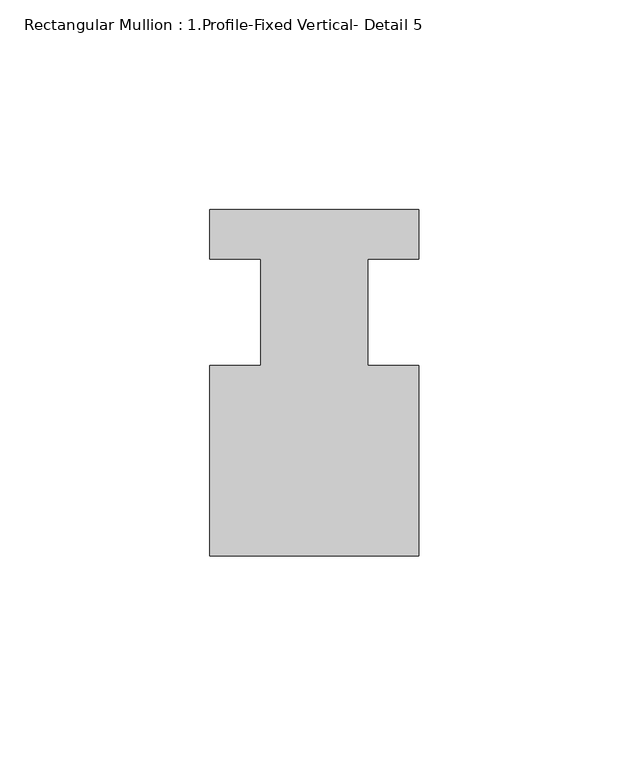
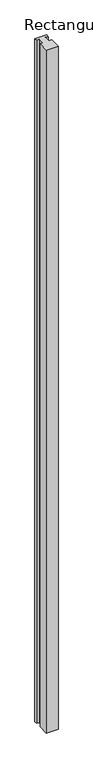
"""IFC4 building model written with IfcOpenShell, lengths in millimetres: member geometry, Rectangular Mullion : 1.Profile-Fixed Vertical- Detail 5."""

import ifcopenshell
import ifcopenshell.guid

model = None  # the IFC model being written
_history = None  # IfcOwnerHistory: only IFC2X3 demands one
_inside = {}  # id of a spatial element -> (the spatial element, [elements in it])
_under = {}  # id of a project, library or spatial element -> (it, [spatial elements below it])
_declared = {}  # id of a project -> (the project, [libraries it declares])
_typed = {}  # id of a type object -> (the type object, [elements of that type])
_made_of = {}  # id of a material, layer set ... -> (it, [elements and type objects made of it])


def new_model(schema):
    """Start an empty IFC model of exactly this schema.

    Asked for "IFC4X3", IfcOpenShell would pick the latest addendum, in which some entities
    have other attributes; the version numbers below select the first issue.
    IFC2X3 requires an IfcOwnerHistory on every rooted entity: one is made here for all.
    """
    global model, _history
    if schema == "IFC4X3":
        model = ifcopenshell.file(schema_version=(4, 3, 0, 0))
    else:
        model = ifcopenshell.file(schema=schema)
    _inside.clear()
    _under.clear()
    _declared.clear()
    _typed.clear()
    _made_of.clear()
    _history = None
    if model.schema == "IFC2X3":
        org = make("IfcOrganization", Name="unknown")
        user = make(
            "IfcPersonAndOrganization",
            ThePerson=make("IfcPerson", FamilyName="unknown"),
            TheOrganization=org,
        )
        app = make(
            "IfcApplication",
            ApplicationDeveloper=org,
            Version="unknown",
            ApplicationFullName="unknown",
            ApplicationIdentifier="unknown",
        )
        _history = make(
            "IfcOwnerHistory",
            OwningUser=user,
            OwningApplication=app,
            ChangeAction="ADDED",
            CreationDate=0,
        )
    return model


def make(cls, **values):
    """One entity of the class cls with the attributes given. An attribute that is None is left unset."""
    return model.create_entity(
        cls, **{name: value for name, value in values.items() if value is not None}
    )


def rooted(cls, **values):
    """An entity with a GlobalId (a new one), such as an element, a storey or a relation."""
    return make(cls, GlobalId=ifcopenshell.guid.new(), OwnerHistory=_history, **values)


def si_unit(unit_type, name, prefix=None):
    """IfcSIUnit, for example si_unit("LENGTHUNIT", "METRE", prefix="MILLI")."""
    return make("IfcSIUnit", UnitType=unit_type, Prefix=prefix, Name=name)


def assignment(units):
    """IfcUnitAssignment: the units of a project."""
    return None if units is None else make("IfcUnitAssignment", Units=units)


def point(xyz):
    """IfcCartesianPoint."""
    return None if xyz is None else make("IfcCartesianPoint", Coordinates=xyz)


def direction(xyz):
    """IfcDirection."""
    return None if xyz is None else make("IfcDirection", DirectionRatios=xyz)


def frame(location, z_axis=None, x_axis=None):
    """IfcAxis2Placement3D, a coordinate frame: its origin and axes. An axis left out is left unset."""
    return make(
        "IfcAxis2Placement3D",
        Location=point(location),
        Axis=direction(z_axis),
        RefDirection=direction(x_axis),
    )


def origin():
    """The frame at (0, 0, 0) with its axes left unset."""
    return frame((0.0, 0.0, 0.0))


def place(relative_to, where):
    """IfcLocalPlacement: puts the frame where relative to a parent placement (None: the world)."""
    return make(
        "IfcLocalPlacement", PlacementRelTo=relative_to, RelativePlacement=where
    )


def context(
    kind, dimensions, precision=None, world=None, true_north=None, identifier=None
):
    """IfcGeometricRepresentationContext, for example the 3D "Model" context."""
    return make(
        "IfcGeometricRepresentationContext",
        ContextIdentifier=identifier,
        ContextType=kind,
        CoordinateSpaceDimension=dimensions,
        Precision=precision,
        WorldCoordinateSystem=world,
        TrueNorth=true_north,
    )


def project(units=None, contexts=None):
    """IfcProject with its units and contexts."""
    return rooted(
        "IfcProject",
        Name="project",
        RepresentationContexts=contexts,
        UnitsInContext=assignment(units),
    )


def spatial(cls, under=None, at=None, **own):
    """A site, building, storey or space (cls), placed at a placement, below another one or the project."""
    s = rooted(cls, ObjectPlacement=at, **own)
    if under is not None:
        _under.setdefault(under.id(), (under, []))[1].append(s)
    return s


def polyline(points):
    """IfcPolyline through the points."""
    return make("IfcPolyline", Points=[point(p) for p in points])


def outline(outer, holes=None, kind="AREA"):
    """IfcArbitraryClosedProfileDef: a profile drawn as a closed curve; with holes, ...WithVoids."""
    if holes is None:
        return make("IfcArbitraryClosedProfileDef", ProfileType=kind, OuterCurve=outer)
    return make(
        "IfcArbitraryProfileDefWithVoids",
        ProfileType=kind,
        OuterCurve=outer,
        InnerCurves=holes,
    )


def extrude(swept, where, along, depth):
    """IfcExtrudedAreaSolid: the profile swept, set in the frame where, extruded along a direction by depth."""
    return make(
        "IfcExtrudedAreaSolid",
        SweptArea=swept,
        Position=where,
        ExtrudedDirection=direction(along),
        Depth=depth,
    )


def shape(context_of_items, identifier, shape_type, items):
    """IfcShapeRepresentation: the items that make up one representation, for example the "Body"."""
    return make(
        "IfcShapeRepresentation",
        ContextOfItems=context_of_items,
        RepresentationIdentifier=identifier,
        RepresentationType=shape_type,
        Items=items,
    )


def source(mapping_origin, context_of_items, identifier, shape_type, items):
    """IfcRepresentationMap: a shape defined once, which mapped items show again and again."""
    return make(
        "IfcRepresentationMap",
        MappingOrigin=mapping_origin,
        MappedRepresentation=shape(context_of_items, identifier, shape_type, items),
    )


def transform(
    local_origin,
    x_axis=None,
    y_axis=None,
    z_axis=None,
    scale=None,
    scale2=None,
    scale3=None,
    uniform=True,
):
    """IfcCartesianTransformationOperator3D, or its non-uniform kind. x_axis, y_axis, z_axis: its Axis1, 2, 3."""
    if uniform:
        return make(
            "IfcCartesianTransformationOperator3D",
            Axis1=direction(x_axis),
            Axis2=direction(y_axis),
            LocalOrigin=point(local_origin),
            Scale=scale,
            Axis3=direction(z_axis),
        )
    return make(
        "IfcCartesianTransformationOperator3DnonUniform",
        Axis1=direction(x_axis),
        Axis2=direction(y_axis),
        LocalOrigin=point(local_origin),
        Scale=scale,
        Axis3=direction(z_axis),
        Scale2=scale2,
        Scale3=scale3,
    )


def mapped(mapping_source, mapping_target):
    """IfcMappedItem: shows the shape of a source again, moved by a transform."""
    return make(
        "IfcMappedItem", MappingSource=mapping_source, MappingTarget=mapping_target
    )


def made_of(thing, what):
    """Note that an element or type object is made of a material, layer set ...; save() writes the relation."""
    if what is not None:
        _made_of.setdefault(what.id(), (what, []))[1].append(thing)
    return thing


def element(
    cls,
    number,
    at=None,
    inside=None,
    cuts=None,
    type_object=None,
    material=None,
    context=None,
    identifier="Body",
    shape_type=None,
    held_by="IfcProductDefinitionShape",
    body=None,
    shapes=None,
    **own,
):
    """One element of the class cls, such as IfcWall. Its Tag is "e" and its number.

    at: its placement. inside: the storey or other place that contains it. cuts: it is an
    opening in that element (IfcRelVoidsElement). A single representation is given by context,
    identifier, shape_type and body (its items); several are given by shapes. held_by: the class
    of the entity that holds the representations. save() writes the other relations.
    """
    e = rooted(cls, Tag="e%d" % number, ObjectPlacement=at, **own)
    if body is not None:
        shapes = [shape(context, identifier, shape_type, body)]
    if shapes is not None:
        e.Representation = make(held_by, Representations=shapes)
    if inside is not None:
        _inside.setdefault(inside.id(), (inside, []))[1].append(e)
    if cuts is not None:
        rooted(
            "IfcRelVoidsElement", RelatingBuildingElement=cuts, RelatedOpeningElement=e
        )
    if type_object is not None:
        _typed.setdefault(type_object.id(), (type_object, []))[1].append(e)
    return made_of(e, material)


def aggregate(whole, parts):
    """IfcRelAggregates: a whole, such as a stair, and the parts it consists of."""
    return rooted("IfcRelAggregates", RelatingObject=whole, RelatedObjects=parts)


def save(model, path):
    """Write the relations noted so far, then the file.

    IfcRelAggregates (storeys below a building ...), IfcRelContainedInSpatialStructure (elements
    in a storey), IfcRelDefinesByType, IfcRelAssociatesMaterial and IfcRelDeclares: one each for
    every whole, place, type object, material and project.
    """
    for whole, parts in _under.values():
        aggregate(whole, parts)
    for where, things in _inside.values():
        rooted(
            "IfcRelContainedInSpatialStructure",
            RelatedElements=things,
            RelatingStructure=where,
        )
    for kind, things in _typed.values():
        rooted("IfcRelDefinesByType", RelatedObjects=things, RelatingType=kind)
    for what, things in _made_of.values():
        rooted("IfcRelAssociatesMaterial", RelatedObjects=things, RelatingMaterial=what)
    for by, libraries in _declared.values():
        rooted("IfcRelDeclares", RelatingContext=by, RelatedDefinitions=libraries)
    model.write(path)


def rectangular_mullion_1_profile_fixed_vertical_detail_5_c4e5d2a2(model_context):
    return source(origin(), model_context, "Body", "SweptSolid", [
        extrude(outline(polyline([(-49.8348, 40.4268412), (0.0, 40.4268412), (0.0, 28.5904412), (-12.2174, 28.5904412), (-12.2174, 3.1904412), (0.0, 3.1904412), (0.0, -42.1231588), (-49.8348, -42.1231588), (-49.8348, 3.1904412), (-37.6174, 3.1904412), (-37.6174, 28.5904412), (-49.8348, 28.5904412), (-49.8348, 40.4268412)])), frame((0.0, 0.0, -3048.0), z_axis=(0.0, 0.0, 1.0), x_axis=(1.0, 0.0, 0.0)), (0.0, 0.0, 1.0), 3048.0),
    ])


if __name__ == "__main__":
    model = new_model("IFC4")
    model_context = context("Model", 3, world=origin())
    ifc_project = project(units=[si_unit("LENGTHUNIT", "METRE", prefix="MILLI")], contexts=[model_context])
    site = spatial("IfcSite", under=ifc_project)
    building = spatial("IfcBuilding", under=site)
    placement = place(None, origin())
    rectangular_mullion_1_profile_fixed_vertical_detail_5_shape = rectangular_mullion_1_profile_fixed_vertical_detail_5_c4e5d2a2(model_context)
    element("IfcMember", 1, ObjectType="Rectangular Mullion : 1.Profile-Fixed Vertical- Detail 5", at=placement, inside=building, context=model_context, shape_type="MappedRepresentation", body=[
        mapped(rectangular_mullion_1_profile_fixed_vertical_detail_5_shape, transform((0.0, 0.0, 0.0), x_axis=(1.0, 0.0, 0.0), y_axis=(0.0, 1.0, 0.0), z_axis=(0.0, 0.0, 1.0))),
    ])
    save(model, "model.ifc")
